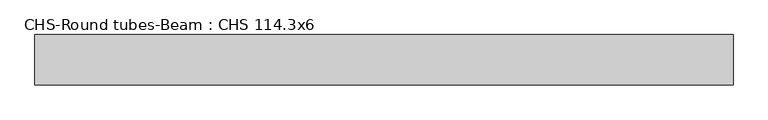
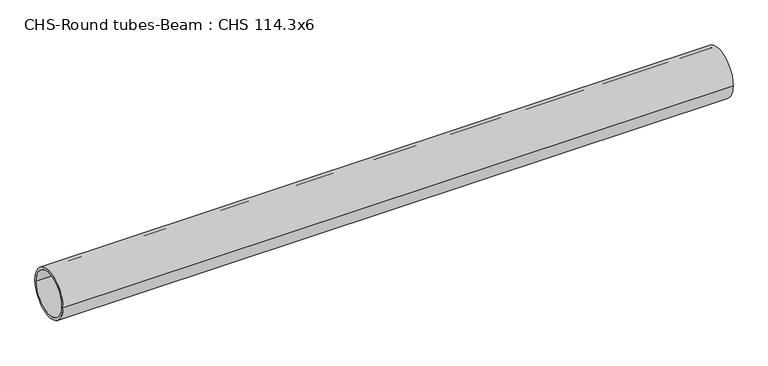
"""IFC4 building model written with IfcOpenShell, lengths in millimetres: beam geometry, CHS-Round tubes-Beam : CHS 114.3x6."""

from ifc_helpers import new_model, si_unit, point, frame, origin, origin_2d, place, context, project, spatial, circle_curve, trimmed, segment, composite_curve, outline, extrude, source, transform, mapped, element, save


def chs_round_tubes_beam_chs_114_3x6_ffb6007d(model_context):
    return source(origin(), model_context, "Body", "SweptSolid", [
        extrude(outline(composite_curve([segment(trimmed(circle_curve(origin_2d(), 57.15), [point((57.15, 0.0))], [point((-57.15, 0.0))], False, "CARTESIAN"), True, "CONTINUOUS"), segment(trimmed(circle_curve(origin_2d(), 57.15), [point((-57.15, 0.0))], [point((57.15, 0.0))], False, "CARTESIAN"), True, "CONTINUOUS")], self_intersect=False), holes=[composite_curve([segment(trimmed(circle_curve(origin_2d(), 51.15), [point((51.15, 0.0))], [point((-51.15, 0.0))], True, "CARTESIAN"), True, "CONTINUOUS"), segment(trimmed(circle_curve(origin_2d(), 51.15), [point((-51.15, 0.0))], [point((51.15, 0.0))], True, "CARTESIAN"), True, "CONTINUOUS")], self_intersect=False)]), frame((-783.6520228, 0.0, 0.0), z_axis=(1.0, 0.0, 0.0), x_axis=(0.0, 1.0, 0.0)), (0.0, 0.0, 1.0), 1577.6750545),
    ])


if __name__ == "__main__":
    model = new_model("IFC4")
    model_context = context("Model", 3, world=origin())
    ifc_project = project(units=[si_unit("LENGTHUNIT", "METRE", prefix="MILLI")], contexts=[model_context])
    site = spatial("IfcSite", under=ifc_project)
    building = spatial("IfcBuilding", under=site)
    placement = place(None, origin())
    chs_round_tubes_beam_chs_114_3x6_shape = chs_round_tubes_beam_chs_114_3x6_ffb6007d(model_context)
    element("IfcBeam", 1, ObjectType="CHS-Round tubes-Beam : CHS 114.3x6", at=placement, inside=building, context=model_context, shape_type="MappedRepresentation", body=[
        mapped(chs_round_tubes_beam_chs_114_3x6_shape, transform((0.0, 0.0, 0.0), x_axis=(1.0, 0.0, 0.0), y_axis=(0.0, 1.0, 0.0), z_axis=(0.0, 0.0, 1.0))),
    ])
    save(model, "model.ifc")
